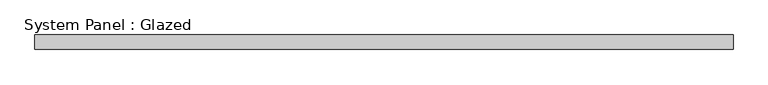
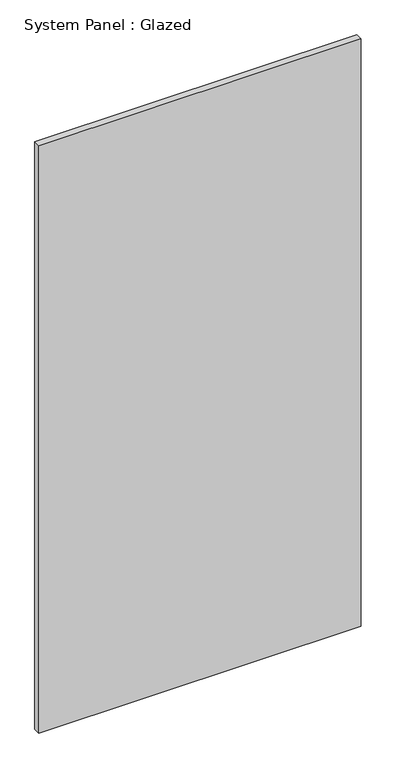
"""IFC4 building model written with IfcOpenShell, lengths in millimetres: plate geometry, System Panel : Glazed."""

from ifc_helpers import new_model, si_unit, origin, origin_with_axes, place, context, project, spatial, polyline, outline, extrude, source, transform, mapped, element, save


def system_panel_glazed_5d95e105(model_context):
    return source(origin(), model_context, "Body", "SweptSolid", [
        extrude(outline(polyline([(608.33, 19.05), (-608.33, 19.05), (-608.33, 44.45), (608.33, 44.45), (608.33, 19.05)])), origin_with_axes(), (0.0, 0.0, 1.0), 2343.15),
    ])


if __name__ == "__main__":
    model = new_model("IFC4")
    model_context = context("Model", 3, world=origin())
    ifc_project = project(units=[si_unit("LENGTHUNIT", "METRE", prefix="MILLI")], contexts=[model_context])
    site = spatial("IfcSite", under=ifc_project)
    building = spatial("IfcBuilding", under=site)
    placement = place(None, origin())
    system_panel_glazed_shape = system_panel_glazed_5d95e105(model_context)
    element("IfcPlate", 1, ObjectType="System Panel : Glazed", at=placement, inside=building, context=model_context, shape_type="MappedRepresentation", body=[
        mapped(system_panel_glazed_shape, transform((0.0, 0.0, 0.0), x_axis=(1.0, 0.0, 0.0), y_axis=(0.0, 1.0, 0.0), z_axis=(0.0, 0.0, 1.0))),
    ])
    save(model, "model.ifc")
